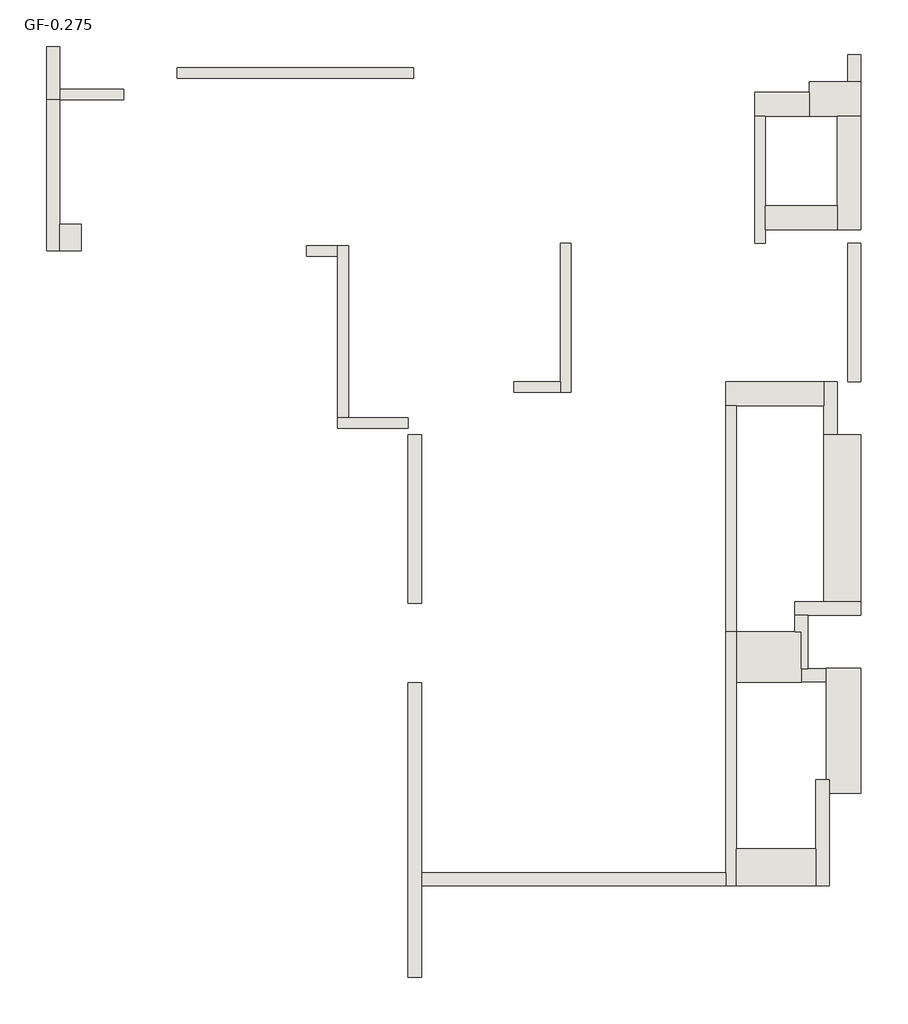
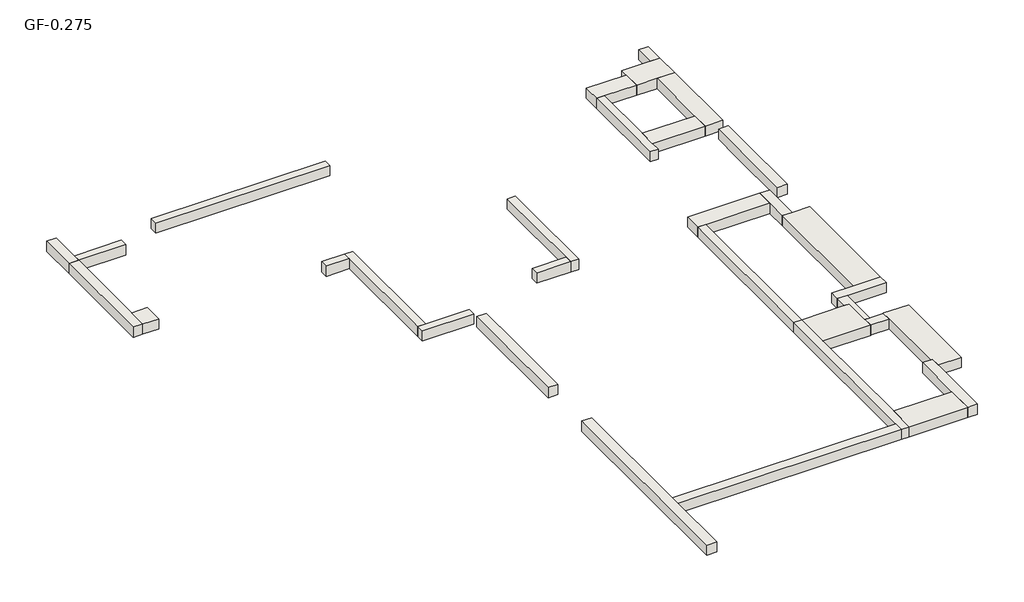
# One storey: 32 walls.
"""IFC4 building model written with IfcOpenShell, lengths in millimetres."""

import ifcopenshell
import ifcopenshell.guid

model = None  # the IFC model being written
_history = None  # IfcOwnerHistory: only IFC2X3 demands one
_inside = {}  # id of a spatial element -> (the spatial element, [elements in it])
_under = {}  # id of a project, library or spatial element -> (it, [spatial elements below it])
_declared = {}  # id of a project -> (the project, [libraries it declares])
_typed = {}  # id of a type object -> (the type object, [elements of that type])
_made_of = {}  # id of a material, layer set ... -> (it, [elements and type objects made of it])


def new_model(schema):
    """Start an empty IFC model of exactly this schema.

    Asked for "IFC4X3", IfcOpenShell would pick the latest addendum, in which some entities
    have other attributes; the version numbers below select the first issue.
    IFC2X3 requires an IfcOwnerHistory on every rooted entity: one is made here for all.
    """
    global model, _history
    if schema == "IFC4X3":
        model = ifcopenshell.file(schema_version=(4, 3, 0, 0))
    else:
        model = ifcopenshell.file(schema=schema)
    _inside.clear()
    _under.clear()
    _declared.clear()
    _typed.clear()
    _made_of.clear()
    _history = None
    if model.schema == "IFC2X3":
        org = make("IfcOrganization", Name="unknown")
        user = make(
            "IfcPersonAndOrganization",
            ThePerson=make("IfcPerson", FamilyName="unknown"),
            TheOrganization=org,
        )
        app = make(
            "IfcApplication",
            ApplicationDeveloper=org,
            Version="unknown",
            ApplicationFullName="unknown",
            ApplicationIdentifier="unknown",
        )
        _history = make(
            "IfcOwnerHistory",
            OwningUser=user,
            OwningApplication=app,
            ChangeAction="ADDED",
            CreationDate=0,
        )
    return model


def make(cls, **values):
    """One entity of the class cls with the attributes given. An attribute that is None is left unset."""
    return model.create_entity(
        cls, **{name: value for name, value in values.items() if value is not None}
    )


def rooted(cls, **values):
    """An entity with a GlobalId (a new one), such as an element, a storey or a relation."""
    return make(cls, GlobalId=ifcopenshell.guid.new(), OwnerHistory=_history, **values)


def si_unit(unit_type, name, prefix=None):
    """IfcSIUnit, for example si_unit("LENGTHUNIT", "METRE", prefix="MILLI")."""
    return make("IfcSIUnit", UnitType=unit_type, Prefix=prefix, Name=name)


def assignment(units):
    """IfcUnitAssignment: the units of a project."""
    return None if units is None else make("IfcUnitAssignment", Units=units)


def point(xyz):
    """IfcCartesianPoint."""
    return None if xyz is None else make("IfcCartesianPoint", Coordinates=xyz)


def direction(xyz):
    """IfcDirection."""
    return None if xyz is None else make("IfcDirection", DirectionRatios=xyz)


def frame(location, z_axis=None, x_axis=None):
    """IfcAxis2Placement3D, a coordinate frame: its origin and axes. An axis left out is left unset."""
    return make(
        "IfcAxis2Placement3D",
        Location=point(location),
        Axis=direction(z_axis),
        RefDirection=direction(x_axis),
    )


def origin():
    """The frame at (0, 0, 0) with its axes left unset."""
    return frame((0.0, 0.0, 0.0))


def place(relative_to, where):
    """IfcLocalPlacement: puts the frame where relative to a parent placement (None: the world)."""
    return make(
        "IfcLocalPlacement", PlacementRelTo=relative_to, RelativePlacement=where
    )


def context(
    kind, dimensions, precision=None, world=None, true_north=None, identifier=None
):
    """IfcGeometricRepresentationContext, for example the 3D "Model" context."""
    return make(
        "IfcGeometricRepresentationContext",
        ContextIdentifier=identifier,
        ContextType=kind,
        CoordinateSpaceDimension=dimensions,
        Precision=precision,
        WorldCoordinateSystem=world,
        TrueNorth=true_north,
    )


def project(units=None, contexts=None):
    """IfcProject with its units and contexts."""
    return rooted(
        "IfcProject",
        Name="project",
        RepresentationContexts=contexts,
        UnitsInContext=assignment(units),
    )


def spatial(cls, under=None, at=None, **own):
    """A site, building, storey or space (cls), placed at a placement, below another one or the project."""
    s = rooted(cls, ObjectPlacement=at, **own)
    if under is not None:
        _under.setdefault(under.id(), (under, []))[1].append(s)
    return s


def polyline(points):
    """IfcPolyline through the points."""
    return make("IfcPolyline", Points=[point(p) for p in points])


def outline(outer, holes=None, kind="AREA"):
    """IfcArbitraryClosedProfileDef: a profile drawn as a closed curve; with holes, ...WithVoids."""
    if holes is None:
        return make("IfcArbitraryClosedProfileDef", ProfileType=kind, OuterCurve=outer)
    return make(
        "IfcArbitraryProfileDefWithVoids",
        ProfileType=kind,
        OuterCurve=outer,
        InnerCurves=holes,
    )


def extrude(swept, where, along, depth):
    """IfcExtrudedAreaSolid: the profile swept, set in the frame where, extruded along a direction by depth."""
    return make(
        "IfcExtrudedAreaSolid",
        SweptArea=swept,
        Position=where,
        ExtrudedDirection=direction(along),
        Depth=depth,
    )


def faces_of(points, faces, orient=None, outer=None):
    """IfcFace entities. A face is a list of loops; a loop is a list of indices into points, from 0.

    orient and outer hold one flag for each loop. By default every Orientation is true, the
    first loop of a face is its IfcFaceOuterBound and the others are IfcFaceBound.
    """
    made = []
    for i, loops in enumerate(faces):
        bounds = []
        for j, loop in enumerate(loops):
            is_outer = j == 0 if outer is None else outer[i][j]
            bounds.append(
                make(
                    "IfcFaceOuterBound" if is_outer else "IfcFaceBound",
                    Bound=make("IfcPolyLoop", Polygon=[points[k] for k in loop]),
                    Orientation=True if orient is None else orient[i][j],
                )
            )
        made.append(make("IfcFace", Bounds=bounds))
    return made


def faceted_brep(points, faces, orient=None, outer=None, voids=None):
    """IfcFacetedBrep: a solid bounded by flat faces; with voids (closed shells), ...WithVoids."""
    shared = [point(p) for p in points]
    hull = make("IfcClosedShell", CfsFaces=faces_of(shared, faces, orient, outer))
    if voids is None:
        return make("IfcFacetedBrep", Outer=hull)
    return make(
        "IfcFacetedBrepWithVoids",
        Outer=hull,
        Voids=[
            make(cls, CfsFaces=faces_of(shared, fs, o, b)) for cls, fs, o, b in voids
        ],
    )


def shape(context_of_items, identifier, shape_type, items):
    """IfcShapeRepresentation: the items that make up one representation, for example the "Body"."""
    return make(
        "IfcShapeRepresentation",
        ContextOfItems=context_of_items,
        RepresentationIdentifier=identifier,
        RepresentationType=shape_type,
        Items=items,
    )


def made_of(thing, what):
    """Note that an element or type object is made of a material, layer set ...; save() writes the relation."""
    if what is not None:
        _made_of.setdefault(what.id(), (what, []))[1].append(thing)
    return thing


def element(
    cls,
    number,
    at=None,
    inside=None,
    cuts=None,
    type_object=None,
    material=None,
    context=None,
    identifier="Body",
    shape_type=None,
    held_by="IfcProductDefinitionShape",
    body=None,
    shapes=None,
    **own,
):
    """One element of the class cls, such as IfcWall. Its Tag is "e" and its number.

    at: its placement. inside: the storey or other place that contains it. cuts: it is an
    opening in that element (IfcRelVoidsElement). A single representation is given by context,
    identifier, shape_type and body (its items); several are given by shapes. held_by: the class
    of the entity that holds the representations. save() writes the other relations.
    """
    e = rooted(cls, Tag="e%d" % number, ObjectPlacement=at, **own)
    if body is not None:
        shapes = [shape(context, identifier, shape_type, body)]
    if shapes is not None:
        e.Representation = make(held_by, Representations=shapes)
    if inside is not None:
        _inside.setdefault(inside.id(), (inside, []))[1].append(e)
    if cuts is not None:
        rooted(
            "IfcRelVoidsElement", RelatingBuildingElement=cuts, RelatedOpeningElement=e
        )
    if type_object is not None:
        _typed.setdefault(type_object.id(), (type_object, []))[1].append(e)
    return made_of(e, material)


def aggregate(whole, parts):
    """IfcRelAggregates: a whole, such as a stair, and the parts it consists of."""
    return rooted("IfcRelAggregates", RelatingObject=whole, RelatedObjects=parts)


def save(model, path):
    """Write the relations noted so far, then the file.

    IfcRelAggregates (storeys below a building ...), IfcRelContainedInSpatialStructure (elements
    in a storey), IfcRelDefinesByType, IfcRelAssociatesMaterial and IfcRelDeclares: one each for
    every whole, place, type object, material and project.
    """
    for whole, parts in _under.values():
        aggregate(whole, parts)
    for where, things in _inside.values():
        rooted(
            "IfcRelContainedInSpatialStructure",
            RelatedElements=things,
            RelatingStructure=where,
        )
    for kind, things in _typed.values():
        rooted("IfcRelDefinesByType", RelatedObjects=things, RelatingType=kind)
    for what, things in _made_of.values():
        rooted("IfcRelAssociatesMaterial", RelatedObjects=things, RelatingMaterial=what)
    for by, libraries in _declared.values():
        rooted("IfcRelDeclares", RelatingContext=by, RelatedDefinitions=libraries)
    model.write(path)


model = new_model("IFC4")

# Units and contexts
model_context = context("Model", 3, world=origin())
ifc_project = project(units=[si_unit("LENGTHUNIT", "METRE", prefix="MILLI")], contexts=[model_context])

# Site, building, storey
site = spatial("IfcSite", under=ifc_project)
building = spatial("IfcBuilding", under=site)
storey = spatial("IfcBuildingStorey", under=building, Name="GF-0.275", Elevation=3815.0)

# Walls
placement = place(None, origin())
element("IfcWall", 1, at=placement, inside=storey, context=model_context, shape_type="Brep", body=[
    faceted_brep([(-62542.532315, 108197.1889228, 3815.0), (-62542.5323146, 107197.1889234, 3815.0), (-62542.5323146, 107197.1889234, 4090.0), (-62542.532315, 108197.1889228, 4090.0), (-62292.532315, 108197.1889229, 3815.0), (-62292.532315, 108197.1889229, 4090.0), (-62292.5323147, 107397.1889235, 4090.0), (-62292.5323146, 107197.1889235, 4090.0), (-62292.5323146, 107197.1889235, 3815.0), (-62292.5323147, 107397.1889235, 3815.0)], [[[0, 1, 2, 3]], [[4, 5, 6, 7, 8, 9]], [[1, 0, 4, 9, 8]], [[3, 2, 7, 6, 5]], [[0, 3, 5, 4]], [[2, 1, 8, 7]]]),
])
element("IfcWall", 2, at=placement, inside=storey, context=model_context, shape_type="SweptSolid", body=[
    extrude(outline(polyline([(-61084.1118732, 107197.1889239), (-62292.5323146, 107197.1889235), (-62292.5323147, 107397.1889235), (-61084.1118733, 107397.1889239), (-61084.1118732, 107197.1889239)])), frame((0.0, 0.0, 3815.0), z_axis=(0.0, 0.0, 1.0), x_axis=(1.0, 0.0, 0.0)), (0.0, 0.0, 1.0), 275.0),
])
element("IfcWall", 3, at=placement, inside=storey, context=model_context, shape_type="SweptSolid", body=[
    extrude(outline(polyline([(-60082.5323367, 107797.1889213), (-55627.5323308, 107797.1889198), (-55627.5323309, 107597.1889198), (-60082.5323368, 107597.1889213), (-60082.5323367, 107797.1889213)])), frame((0.0, 0.0, 3815.0), z_axis=(0.0, 0.0, 1.0), x_axis=(1.0, 0.0, 0.0)), (0.0, 0.0, 1.0), 275.0),
])
element("IfcWall", 4, at=placement, inside=storey, context=model_context, shape_type="Brep", body=[
    faceted_brep([(-47187.5323995, 107532.1887073, 3815.0), (-47437.5323707, 107532.1886855, 3815.0), (-48161.7315095, 107532.1886221, 3815.0), (-48161.7315095, 107532.1886221, 4090.0), (-47437.5323707, 107532.1886855, 4090.0), (-47187.5323995, 107532.1887073, 4090.0), (-47187.5323995, 106882.1887073, 3815.0), (-47187.5323995, 106882.1887073, 4090.0), (-47637.5323995, 106882.188668, 4090.0), (-48161.7314526, 106882.1886221, 4090.0), (-48161.7314526, 106882.1886221, 3815.0), (-47637.5323995, 106882.188668, 3815.0), (-48161.731492, 107332.1886217, 3815.0), (-48161.731492, 107332.1886217, 4090.0)], [[[0, 1, 2, 3, 4, 5]], [[6, 7, 8, 9, 10, 11]], [[2, 1, 0, 6, 11, 10, 12]], [[3, 2, 12, 10, 9, 13]], [[5, 4, 3, 13, 9, 8, 7]], [[0, 5, 7, 6]]]),
])
element("IfcWall", 5, at=placement, inside=storey, context=model_context, shape_type="Brep", body=[
    faceted_brep([(-48161.731492, 107332.1886217, 3815.0), (-48172.8003139, 107332.1886207, 3815.0), (-49187.5323165, 107332.1885319, 3815.0), (-49187.5323165, 107332.1885319, 4090.0), (-48172.8003139, 107332.1886207, 4090.0), (-48161.731492, 107332.1886217, 4090.0), (-48161.7314526, 106882.1886217, 3815.0), (-48161.7314526, 106882.1886217, 4090.0), (-48987.5323164, 106882.1885494, 4090.0), (-49187.5323164, 106882.1885319, 4090.0), (-49187.5323164, 106882.1885319, 3815.0), (-48987.5323164, 106882.1885494, 3815.0), (-49187.5323165, 107230.2799204, 3815.0), (-49187.5323165, 107230.2799204, 4090.0)], [[[0, 1, 2, 3, 4, 5]], [[6, 7, 8, 9, 10, 11]], [[2, 1, 0, 6, 11, 10, 12]], [[5, 4, 3, 13, 9, 8, 7]], [[0, 5, 7, 6]], [[3, 2, 12, 10, 9, 13]]]),
])
element("IfcWall", 6, at=placement, inside=storey, context=model_context, shape_type="Brep", body=[
    faceted_brep([(-49187.5323164, 106882.1885319, 3815.0), (-49187.5323162, 104495.2799238, 3815.0), (-49187.5323162, 104495.2799238, 4090.0), (-49187.5323164, 106882.1885319, 4090.0), (-48987.5323164, 106882.1885494, 3815.0), (-48987.5323164, 106882.1885494, 4090.0), (-48987.5323163, 105197.1889211, 4090.0), (-48987.5323163, 104747.1889211, 4090.0), (-48987.5323162, 104495.2799238, 4090.0), (-48987.5323162, 104495.2799238, 3815.0), (-48987.5323163, 104747.1889211, 3815.0), (-48987.5323163, 105197.1889211, 3815.0)], [[[0, 1, 2, 3]], [[4, 5, 6, 7, 8, 9, 10, 11]], [[1, 0, 4, 11, 10, 9]], [[2, 1, 9, 8]], [[3, 2, 8, 7, 6, 5]], [[0, 3, 5, 4]]]),
])
element("IfcWall", 7, at=placement, inside=storey, context=model_context, shape_type="SweptSolid", body=[
    extrude(outline(polyline([(-47637.5323993, 104747.1889212), (-48987.5323163, 104747.1889211), (-48987.5323163, 105197.1889211), (-47637.5323993, 105197.1889212), (-47637.5323993, 104747.1889212)])), frame((0.0, 0.0, 3815.0), z_axis=(0.0, 0.0, 1.0), x_axis=(1.0, 0.0, 0.0)), (0.0, 0.0, 1.0), 275.0),
])
element("IfcWall", 8, at=placement, inside=storey, context=model_context, shape_type="Brep", body=[
    faceted_brep([(-47637.5323995, 106882.188668, 3815.0), (-47637.5323993, 105197.1889212, 3815.0), (-47637.5323993, 104747.1889212, 3815.0), (-47637.5323993, 104747.1889212, 4090.0), (-47637.5323993, 105197.1889212, 4090.0), (-47637.5323995, 106882.188668, 4090.0), (-47187.5323995, 106882.1887073, 3815.0), (-47187.5323995, 106882.1887073, 4090.0), (-47187.5323993, 104747.1889212, 4090.0), (-47187.5323993, 104747.1889212, 3815.0)], [[[0, 1, 2, 3, 4, 5]], [[6, 7, 8, 9]], [[2, 1, 0, 6, 9]], [[5, 4, 3, 8, 7]], [[0, 5, 7, 6]], [[3, 2, 9, 8]]]),
])
element("IfcWall", 9, at=placement, inside=storey, context=model_context, shape_type="Brep", body=[
    faceted_brep([(-47887.5323492, 101882.1889212, 3815.0), (-49737.5323149, 101882.1889209, 3815.0), (-49737.5323149, 101882.1889209, 4090.0), (-47887.5323492, 101882.1889212, 4090.0), (-47887.5323457, 101432.1889212, 3815.0), (-47887.5323457, 101432.1889212, 4090.0), (-49537.5323149, 101432.1889209, 4090.0), (-49737.5323149, 101432.1889209, 4090.0), (-49737.5323149, 101432.1889209, 3815.0), (-49537.5323149, 101432.1889209, 3815.0)], [[[0, 1, 2, 3]], [[4, 5, 6, 7, 8, 9]], [[1, 0, 4, 9, 8]], [[3, 2, 7, 6, 5]], [[2, 1, 8, 7]], [[0, 3, 5, 4]]]),
])
element("IfcWall", 10, at=placement, inside=storey, context=model_context, shape_type="Brep", body=[
    faceted_brep([(-47637.5323416, 100882.1889219, 3815.0), (-47637.5323492, 101882.1889212, 3815.0), (-47637.5323492, 101882.1889212, 4090.0), (-47637.5323416, 100882.1889219, 4090.0), (-47887.5323416, 100882.18892, 3815.0), (-47887.5323416, 100882.18892, 4090.0), (-47887.5323457, 101432.1889212, 4090.0), (-47887.5323492, 101882.1889212, 4090.0), (-47887.5323492, 101882.1889212, 3815.0), (-47887.5323457, 101432.1889212, 3815.0)], [[[0, 1, 2, 3]], [[4, 5, 6, 7, 8, 9]], [[1, 0, 4, 9, 8]], [[3, 2, 7, 6, 5]], [[0, 3, 5, 4]], [[2, 1, 8, 7]]]),
])
element("IfcWall", 11, at=placement, inside=storey, context=model_context, shape_type="Brep", body=[
    faceted_brep([(-47887.5323437, 100882.18892, 3815.0), (-47887.5323198, 97732.1889178, 3815.0), (-47887.5323198, 97732.1889178, 4090.0), (-47887.5323437, 100882.18892, 4090.0), (-47187.5323437, 100882.1889254, 3815.0), (-47187.5323437, 100882.1889254, 4090.0), (-47187.5323437, 100880.279921, 4090.0), (-47187.5323198, 97732.1889173, 4090.0), (-47187.5323198, 97732.1889173, 3815.0), (-47187.5323437, 100880.279921, 3815.0), (-47637.5323416, 100882.1889219, 3815.0), (-47637.5323416, 100882.1889219, 4090.0)], [[[0, 1, 2, 3]], [[4, 5, 6, 7, 8, 9]], [[1, 0, 10, 4, 9, 8]], [[3, 2, 7, 6, 5, 11]], [[0, 3, 11, 5, 4, 10]], [[2, 1, 8, 7]]]),
])
element("IfcWall", 12, at=placement, inside=storey, context=model_context, shape_type="Brep", body=[
    faceted_brep([(-48437.5323354, 97482.1889182, 3815.0), (-48187.5323354, 97482.188918, 3815.0), (-47187.5323179, 97482.1889173, 3815.0), (-47187.5323179, 97482.1889173, 4090.0), (-48187.5323354, 97482.188918, 4090.0), (-48437.5323354, 97482.1889182, 4090.0), (-48437.5323354, 97732.1889182, 3815.0), (-48437.5323354, 97732.1889182, 4090.0), (-47887.5323198, 97732.1889178, 4090.0), (-47187.5323198, 97732.1889173, 4090.0), (-47187.5323198, 97732.1889173, 3815.0), (-47887.5323198, 97732.1889178, 3815.0)], [[[0, 1, 2, 3, 4, 5]], [[6, 7, 8, 9, 10, 11]], [[2, 1, 0, 6, 11, 10]], [[5, 4, 3, 9, 8, 7]], [[0, 5, 7, 6]], [[3, 2, 10, 9]]]),
])
element("IfcWall", 13, at=placement, inside=storey, context=model_context, shape_type="SweptSolid", body=[
    extrude(outline(polyline([(-48187.5323354, 97482.188918), (-48187.5323354, 96475.938919), (-48312.5323354, 96475.938919), (-48312.5323354, 97169.6889207), (-48437.5323354, 97169.6889207), (-48437.5323354, 97482.1889182), (-48187.5323354, 97482.188918)])), frame((0.0, 0.0, 3815.0), z_axis=(0.0, 0.0, 1.0), x_axis=(1.0, 0.0, 0.0)), (0.0, 0.0, 1.0), 275.0),
])
element("IfcWall", 14, at=placement, inside=storey, context=model_context, shape_type="SweptSolid", body=[
    extrude(outline(polyline([(-49737.5323144, 97169.6889206), (-49737.5323149, 101432.1889209), (-49537.5323149, 101432.1889209), (-49537.5323144, 97169.6889206), (-49737.5323144, 97169.6889206)])), frame((0.0, 0.0, 3815.0), z_axis=(0.0, 0.0, 1.0), x_axis=(1.0, 0.0, 0.0)), (0.0, 0.0, 1.0), 275.0),
])
element("IfcWall", 15, at=placement, inside=storey, context=model_context, shape_type="Brep", body=[
    faceted_brep([(-49737.5323145, 97169.6889206, 3815.0), (-49737.5323137, 92632.1889174, 3815.0), (-49737.5323137, 92382.1889174, 3815.0), (-49737.5323137, 92382.1889174, 4090.0), (-49737.5323137, 92632.1889174, 4090.0), (-49737.5323145, 97169.6889206, 4090.0), (-49537.5323145, 97169.6889206, 3815.0), (-49537.5323145, 97169.6889206, 4090.0), (-49537.5323143, 96219.6889206, 4090.0), (-49537.5323138, 93082.1889175, 4090.0), (-49537.5323137, 92382.1889174, 4090.0), (-49537.5323137, 92382.1889174, 3815.0), (-49537.5323138, 93082.1889175, 3815.0), (-49537.5323143, 96219.6889206, 3815.0)], [[[0, 1, 2, 3, 4, 5]], [[6, 7, 8, 9, 10, 11, 12, 13]], [[2, 1, 0, 6, 13, 12, 11]], [[5, 4, 3, 10, 9, 8, 7]], [[0, 5, 7, 6]], [[3, 2, 11, 10]]]),
])
element("IfcWall", 16, at=placement, inside=storey, context=model_context, shape_type="Brep", body=[
    faceted_brep([(-47787.5323421, 92382.1889178, 3815.0), (-47787.5323421, 94132.1889215, 3815.0), (-47787.5323421, 94382.188917, 3815.0), (-47787.5323421, 94382.188917, 4090.0), (-47787.5323421, 94132.1889215, 4090.0), (-47787.5323421, 92382.1889178, 4090.0), (-48037.5323421, 92382.1889178, 3815.0), (-48037.5323421, 92382.1889178, 4090.0), (-48037.5323421, 93082.1889178, 4090.0), (-48037.5323421, 94382.188917, 4090.0), (-48037.5323421, 94382.188917, 3815.0), (-48037.5323421, 93082.1889178, 3815.0), (-47837.5323151, 94382.188917, 3815.0), (-47837.5323151, 94382.188917, 4090.0)], [[[0, 1, 2, 3, 4, 5]], [[6, 7, 8, 9, 10, 11]], [[2, 1, 0, 6, 11, 10, 12]], [[3, 2, 12, 10, 9, 13]], [[5, 4, 3, 13, 9, 8, 7]], [[0, 5, 7, 6]]]),
])
element("IfcWall", 17, at=placement, inside=storey, context=model_context, shape_type="Brep", body=[
    faceted_brep([(-55727.532314, 100882.1889218, 3815.0), (-55727.5323138, 97707.1889222, 3815.0), (-55727.5323138, 97707.1889222, 4090.0), (-55727.5323139, 99495.2794406, 4090.0), (-55727.5323139, 99695.2794406, 4090.0), (-55727.532314, 100882.1889218, 4090.0), (-55477.532314, 100882.1889218, 3815.0), (-55477.532314, 100882.1889218, 4090.0), (-55477.5323139, 99695.2794407, 4090.0), (-55477.5323139, 99195.2794407, 4090.0), (-55477.5323138, 97707.1889223, 4090.0), (-55477.5323138, 97707.1889223, 3815.0), (-55477.5323139, 99195.2794407, 3815.0), (-55477.5323139, 99695.2794407, 3815.0)], [[[0, 1, 2, 3, 4, 5]], [[6, 7, 8, 9, 10, 11, 12, 13]], [[1, 0, 6, 13, 12, 11]], [[2, 1, 11, 10]], [[5, 4, 3, 2, 10, 9, 8, 7]], [[0, 5, 7, 6]]]),
])
element("IfcWall", 18, at=placement, inside=storey, context=model_context, shape_type="Brep", body=[
    faceted_brep([(-55727.5323145, 101207.1889161, 3815.0), (-56852.532315, 101207.1889168, 3815.0), (-57052.532315, 101207.188917, 3815.0), (-57052.532315, 101207.188917, 4090.0), (-56852.532315, 101207.1889168, 4090.0), (-55727.5323145, 101207.1889161, 4090.0), (-55727.5323146, 101007.1889161, 3815.0), (-55727.5323146, 101007.1889161, 4090.0), (-57052.532315, 101007.188917, 4090.0), (-57052.532315, 101007.188917, 3815.0)], [[[0, 1, 2, 3, 4, 5]], [[6, 7, 8, 9]], [[2, 1, 0, 6, 9]], [[5, 4, 3, 8, 7]], [[0, 5, 7, 6]], [[3, 2, 9, 8]]]),
])
element("IfcWall", 19, at=placement, inside=storey, context=model_context, shape_type="Brep", body=[
    faceted_brep([(-56852.532315, 101207.1889168, 3815.0), (-56852.5323154, 104445.2799231, 3815.0), (-56852.5323154, 104445.2799231, 4090.0), (-56852.532315, 101207.1889168, 4090.0), (-57052.532315, 101207.188917, 3815.0), (-57052.532315, 101207.188917, 4090.0), (-57052.5323154, 104245.2799231, 4090.0), (-57052.5323154, 104445.2799231, 4090.0), (-57052.5323154, 104445.2799231, 3815.0), (-57052.5323154, 104245.2799231, 3815.0)], [[[0, 1, 2, 3]], [[4, 5, 6, 7, 8, 9]], [[1, 0, 4, 9, 8]], [[3, 2, 7, 6, 5]], [[0, 3, 5, 4]], [[2, 1, 8, 7]]]),
])
element("IfcWall", 20, at=placement, inside=storey, context=model_context, shape_type="SweptSolid", body=[
    extrude(outline(polyline([(-57642.6663146, 104445.279923), (-57052.5323154, 104445.2799231), (-57052.5323154, 104245.2799231), (-57642.6663146, 104245.279923), (-57642.6663146, 104445.279923)])), frame((0.0, 0.0, 3815.0), z_axis=(0.0, 0.0, 1.0), x_axis=(1.0, 0.0, 0.0)), (0.0, 0.0, 1.0), 275.0),
])
element("IfcWall", 21, at=placement, inside=storey, context=model_context, shape_type="Brep", body=[
    faceted_brep([(-49537.5323143, 96219.6889206, 3815.0), (-48312.5323354, 96219.6889207, 3815.0), (-48312.5323354, 96219.6889207, 4090.0), (-49537.5323143, 96219.6889206, 4090.0), (-49537.5323145, 97169.6889206, 3815.0), (-49537.5323145, 97169.6889206, 4090.0), (-48437.5323354, 97169.6889207, 4090.0), (-48312.5323354, 97169.6889207, 4090.0), (-48312.5323354, 97169.6889207, 3815.0), (-48437.5323354, 97169.6889207, 3815.0), (-48312.5323354, 96475.938919, 3815.0), (-48312.5323354, 96225.938919, 3815.0), (-48312.5323354, 96475.938919, 4090.0), (-48312.5323354, 96225.938919, 4090.0)], [[[0, 1, 2, 3]], [[4, 5, 6, 7, 8, 9]], [[1, 0, 4, 9, 8, 10, 11]], [[2, 1, 11, 10, 8, 7, 12, 13]], [[3, 2, 13, 12, 7, 6, 5]], [[0, 3, 5, 4]]]),
])
element("IfcWall", 22, at=placement, inside=storey, context=model_context, shape_type="Brep", body=[
    faceted_brep([(-47187.5323151, 94132.1889215, 3815.0), (-47187.5323151, 96433.4275756, 3815.0), (-47187.5323151, 96480.2794439, 3815.0), (-47187.5323151, 96482.1889174, 3815.0), (-47187.5323151, 96482.1889174, 4090.0), (-47187.5323151, 96480.2794439, 4090.0), (-47187.5323151, 96433.4275756, 4090.0), (-47187.5323151, 94132.1889215, 4090.0), (-47837.5323151, 96482.1889174, 4090.0), (-47837.5323151, 96482.1889174, 3815.0), (-47837.5323151, 96475.938919, 3815.0), (-47837.5323151, 96225.938919, 3815.0), (-47837.5323151, 94382.188917, 3815.0), (-47837.5323151, 94382.188917, 4090.0), (-47837.5323151, 96225.938919, 4090.0), (-47837.5323151, 96475.938919, 4090.0), (-47787.5323421, 94132.1889215, 3815.0), (-47787.5323421, 94382.188917, 3815.0), (-47787.5323421, 94382.188917, 4090.0), (-47787.5323421, 94132.1889215, 4090.0)], [[[0, 1, 2, 3, 4, 5, 6, 7]], [[8, 9, 10, 11, 12, 13, 14, 15]], [[3, 2, 1, 0, 16, 17, 12, 11, 10, 9]], [[4, 3, 9, 8]], [[7, 6, 5, 4, 8, 15, 14, 13, 18, 19]], [[0, 7, 19, 16]], [[18, 17, 16, 19]], [[17, 18, 13, 12]]]),
])
element("IfcWall", 23, at=placement, inside=storey, context=model_context, shape_type="Brep", body=[
    faceted_brep([(-48312.5323354, 96225.938919, 3815.0), (-47837.5323151, 96225.938919, 3815.0), (-47837.5323151, 96225.938919, 4090.0), (-48312.5323354, 96225.938919, 4090.0), (-48312.5323354, 96475.938919, 3815.0), (-48312.5323354, 96475.938919, 4090.0), (-48187.5323354, 96475.938919, 4090.0), (-47837.5323151, 96475.938919, 4090.0), (-47837.5323151, 96475.938919, 3815.0), (-48187.5323354, 96475.938919, 3815.0)], [[[0, 1, 2, 3]], [[4, 5, 6, 7, 8, 9]], [[1, 0, 4, 9, 8]], [[3, 2, 7, 6, 5]], [[0, 3, 5, 4]], [[2, 1, 8, 7]]]),
])
element("IfcWall", 24, at=placement, inside=storey, context=model_context, shape_type="Brep", body=[
    faceted_brep([(-55477.5323277, 90657.1889227, 3815.0), (-55477.5323279, 92382.1889169, 3815.0), (-55477.5323279, 92632.1889169, 3815.0), (-55477.5323282, 96207.1889223, 3815.0), (-55477.5323282, 96207.1889223, 4090.0), (-55477.5323279, 92632.1889169, 4090.0), (-55477.5323279, 92382.1889169, 4090.0), (-55477.5323277, 90657.1889227, 4090.0), (-55727.5323277, 90657.1889227, 3815.0), (-55727.5323277, 90657.1889227, 4090.0), (-55727.5323282, 96207.1889222, 4090.0), (-55727.5323282, 96207.1889222, 3815.0)], [[[0, 1, 2, 3, 4, 5, 6, 7]], [[8, 9, 10, 11]], [[3, 2, 1, 0, 8, 11]], [[4, 3, 11, 10]], [[7, 6, 5, 4, 10, 9]], [[0, 7, 9, 8]]]),
])
element("IfcWall", 25, at=placement, inside=storey, context=model_context, shape_type="SweptSolid", body=[
    extrude(outline(polyline([(-55477.5323279, 92632.1889169), (-49737.5323137, 92632.1889174), (-49737.5323137, 92382.1889174), (-55477.5323279, 92382.1889169), (-55477.5323279, 92632.1889169)])), frame((0.0, 0.0, 3815.0), z_axis=(0.0, 0.0, 1.0), x_axis=(1.0, 0.0, 0.0)), (0.0, 0.0, 1.0), 275.0),
])
element("IfcWall", 26, at=placement, inside=storey, context=model_context, shape_type="SweptSolid", body=[
    extrude(outline(polyline([(-48037.5323421, 92382.1889178), (-49537.5323137, 92382.1889175), (-49537.5323138, 93082.1889175), (-48037.5323421, 93082.1889178), (-48037.5323421, 92382.1889178)])), frame((0.0, 0.0, 3815.0), z_axis=(0.0, 0.0, 1.0), x_axis=(1.0, 0.0, 0.0)), (0.0, 0.0, 1.0), 275.0),
])
element("IfcWall", 27, at=placement, inside=storey, context=model_context, shape_type="Brep", body=[
    faceted_brep([(-52852.6663253, 104495.2799238, 3815.0), (-52852.6663251, 101882.1889203, 3815.0), (-52852.6663251, 101682.1889203, 3815.0), (-52852.6663251, 101682.1889203, 4090.0), (-52852.6663251, 101882.1889203, 4090.0), (-52852.6663253, 104495.2799238, 4090.0), (-52652.6663253, 104495.2799238, 3815.0), (-52652.6663253, 104495.2799238, 4090.0), (-52652.6663252, 103745.280396, 4090.0), (-52652.6663251, 101682.1889203, 4090.0), (-52652.6663251, 101682.1889203, 3815.0), (-52652.6663252, 103745.280396, 3815.0)], [[[0, 1, 2, 3, 4, 5]], [[6, 7, 8, 9, 10, 11]], [[2, 1, 0, 6, 11, 10]], [[5, 4, 3, 9, 8, 7]], [[0, 5, 7, 6]], [[3, 2, 10, 9]]]),
])
element("IfcWall", 28, at=placement, inside=storey, context=model_context, shape_type="SweptSolid", body=[
    extrude(outline(polyline([(-52852.6663251, 101682.1889203), (-53727.5323354, 101682.1889202), (-53727.5323354, 101882.1889202), (-52852.6663251, 101882.1889203), (-52852.6663251, 101682.1889203)])), frame((0.0, 0.0, 3815.0), z_axis=(0.0, 0.0, 1.0), x_axis=(1.0, 0.0, 0.0)), (0.0, 0.0, 1.0), 275.0),
])
element("IfcWall", 29, at=placement, inside=storey, context=model_context, shape_type="Brep", body=[
    faceted_brep([(-62292.5323143, 104345.2799266, 3815.0), (-62292.5323144, 104845.2799266, 3815.0), (-62292.5323148, 107197.1889235, 3815.0), (-62292.5323148, 107197.1889235, 4090.0), (-62292.5323144, 104845.2799266, 4090.0), (-62292.5323143, 104345.2799266, 4090.0), (-62542.5323143, 104345.2799266, 3815.0), (-62542.5323143, 104345.2799266, 4090.0), (-62542.5323148, 107197.1889234, 4090.0), (-62542.5323148, 107197.1889234, 3815.0)], [[[0, 1, 2, 3, 4, 5]], [[6, 7, 8, 9]], [[2, 1, 0, 6, 9]], [[5, 4, 3, 8, 7]], [[0, 5, 7, 6]], [[3, 2, 9, 8]]]),
])
element("IfcWall", 30, at=placement, inside=storey, context=model_context, shape_type="Brep", body=[
    faceted_brep([(-62292.5323143, 104345.2799266, 3815.0), (-62092.6223736, 104345.2799267, 3815.0), (-61892.6223736, 104345.2799267, 3815.0), (-61892.6223736, 104345.2799267, 4090.0), (-62092.6223736, 104345.2799267, 4090.0), (-62292.5323143, 104345.2799266, 4090.0), (-62292.5323144, 104845.2799266, 3815.0), (-62292.5323144, 104845.2799266, 4090.0), (-61892.6223736, 104845.2799267, 4090.0), (-61892.6223736, 104845.2799267, 3815.0), (-61892.6223736, 104745.2799261, 3815.0), (-61892.6223736, 104745.2799261, 4090.0)], [[[0, 1, 2, 3, 4, 5]], [[6, 7, 8, 9]], [[2, 1, 0, 6, 9, 10]], [[5, 4, 3, 11, 8, 7]], [[0, 5, 7, 6]], [[3, 2, 10, 9, 8, 11]]]),
])
element("IfcWall", 31, at=placement, inside=storey, context=model_context, shape_type="SweptSolid", body=[
    extrude(outline(polyline([(-47187.5323706, 108047.1889221), (-47187.5323707, 107532.1887073), (-47437.5323707, 107532.1886855), (-47437.5323706, 108047.1889221), (-47187.5323706, 108047.1889221)])), frame((0.0, 0.0, 3815.0), z_axis=(0.0, 0.0, 1.0), x_axis=(1.0, 0.0, 0.0)), (0.0, 0.0, 1.0), 275.0),
])
element("IfcWall", 32, at=placement, inside=storey, context=model_context, shape_type="Brep", body=[
    faceted_brep([(-47187.532372, 101882.188921, 3815.0), (-47187.5323721, 103745.2799248, 3815.0), (-47187.5323722, 104495.2799239, 3815.0), (-47187.5323722, 104495.2799239, 4090.0), (-47187.5323721, 103745.2799248, 4090.0), (-47187.532372, 101882.188921, 4090.0), (-47437.532372, 101882.188921, 3815.0), (-47437.532372, 101882.188921, 4090.0), (-47437.5323721, 103745.2799248, 4090.0), (-47437.5323722, 104495.2799238, 4090.0), (-47437.5323722, 104495.2799238, 3815.0), (-47437.5323721, 103745.2799248, 3815.0)], [[[0, 1, 2, 3, 4, 5]], [[6, 7, 8, 9, 10, 11]], [[2, 1, 0, 6, 11, 10]], [[3, 2, 10, 9]], [[5, 4, 3, 9, 8, 7]], [[0, 5, 7, 6]]]),
])

save(model, "model.ifc")
